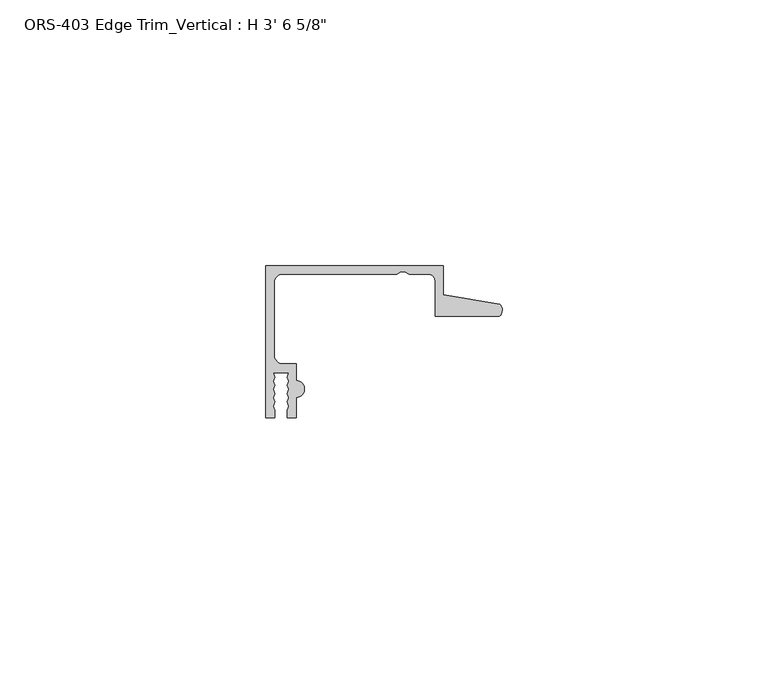
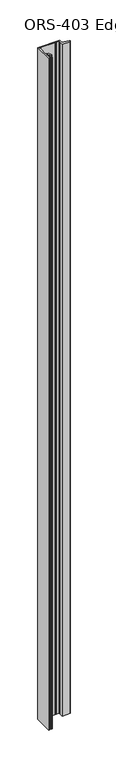
"""IFC4 building model written with IfcOpenShell, lengths in millimetres: proxy geometry."""

from ifc_helpers import new_model, si_unit, point, frame_2d, origin, origin_with_axes, place, context, project, spatial, polyline, circle_curve, trimmed, segment, composite_curve, outline, extrude, source, transform, mapped, element, save


def proxy_82eeb600(model_context):
    return source(origin(), model_context, "Body", "SweptSolid", [
        extrude(outline(composite_curve([segment(polyline([(0.0, 19.6849659), (33.4151698, 19.6849659), (33.4151698, 14.292309), (43.9912567, 12.4813352)]), True, "CONTINUOUS"), segment(trimmed(circle_curve(frame_2d((42.8344152, 11.3526424)), 1.6162393), [point((43.9912567, 12.4813352))], [point((43.9251729, 10.1599659))], False, "CARTESIAN"), True, "CONTINUOUS"), segment(polyline([(43.9251729, 10.1599659), (31.8403698, 10.1599659), (31.8403698, 16.8401659)]), True, "CONTINUOUS"), segment(trimmed(circle_curve(frame_2d((30.5703698, 16.8401659)), 1.27), [point((31.8403698, 16.8401659))], [point((30.5703698, 18.1101659))], True, "CARTESIAN"), True, "CONTINUOUS"), segment(polyline([(30.5703698, 18.1101659), (26.9486086, 18.1101659), (26.1600648, 18.5286393), (25.3762055, 18.5286393), (24.5876618, 18.1101659), (3.1623, 18.1101659)]), True, "CONTINUOUS"), segment(trimmed(circle_curve(frame_2d((3.1623, 16.5226659)), 1.5875), [point((3.1623, 18.1101659))], [point((1.5748, 16.5226659))], True, "CARTESIAN"), True, "CONTINUOUS"), segment(polyline([(1.5748, 16.5226659), (1.5748, 2.8574659)]), True, "CONTINUOUS"), segment(trimmed(circle_curve(frame_2d((3.1623, 2.8574659)), 1.5875), [point((1.5748, 2.8574659))], [point((3.1623, 1.2699659))], True, "CARTESIAN"), True, "CONTINUOUS"), segment(polyline([(3.1623, 1.2699659), (5.6896, 1.2699659), (5.6896, -1.9177341)]), True, "CONTINUOUS"), segment(trimmed(circle_curve(frame_2d((5.6896, -3.4925341)), 1.5748), [point((5.6896, -1.9177341))], [point((5.6896, -5.0673341))], False, "CARTESIAN"), True, "CONTINUOUS"), segment(polyline([(5.6896, -5.0673341), (5.6896, -8.8900341), (4.0500705, -8.8900341), (4.0500705, -7.4768015), (4.3039002, -6.695594), (4.0500705, -5.9143865), (4.3039002, -5.133179), (4.0500705, -4.3519716), (4.3039002, -3.5707641), (4.0500705, -2.7895566), (4.3039002, -2.0083491), (4.0500705, -1.2271416), (4.3039002, -0.4459342), (1.3857004, -0.4459342), (1.6395301, -1.2271416), (1.3857004, -2.0083491), (1.6395301, -2.7895566), (1.3857004, -3.5707641), (1.6395301, -4.3519716), (1.3857004, -5.133179), (1.6395301, -5.9143865), (1.3857004, -6.695594), (1.6395301, -7.4768015), (1.6395301, -8.8900341), (0.0, -8.8900341), (0.0, 19.6849659)]), True, "CONTINUOUS")], self_intersect=False)), origin_with_axes(), (0.0, 0.0, 1.0), 1082.675),
    ])


if __name__ == "__main__":
    model = new_model("IFC4")
    model_context = context("Model", 3, world=origin())
    ifc_project = project(units=[si_unit("LENGTHUNIT", "METRE", prefix="MILLI")], contexts=[model_context])
    site = spatial("IfcSite", under=ifc_project)
    building = spatial("IfcBuilding", under=site)
    placement = place(None, origin())
    proxy_shape = proxy_82eeb600(model_context)
    element("IfcBuildingElementProxy", 1, Name="ORS-403 Edge Trim_Vertical : H 3' 6 5/8\"", ObjectType="ORS-403 Edge Trim_Vertical : H 3' 6 5/8\"", at=placement, inside=building, context=model_context, shape_type="MappedRepresentation", body=[
        mapped(proxy_shape, transform((0.0, 0.0, 0.0), x_axis=(1.0, 0.0, 0.0), y_axis=(0.0, 1.0, 0.0), z_axis=(0.0, 0.0, 1.0))),
    ])
    save(model, "model.ifc")
